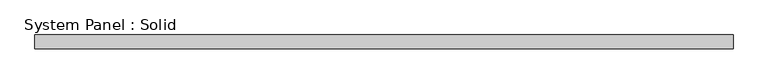
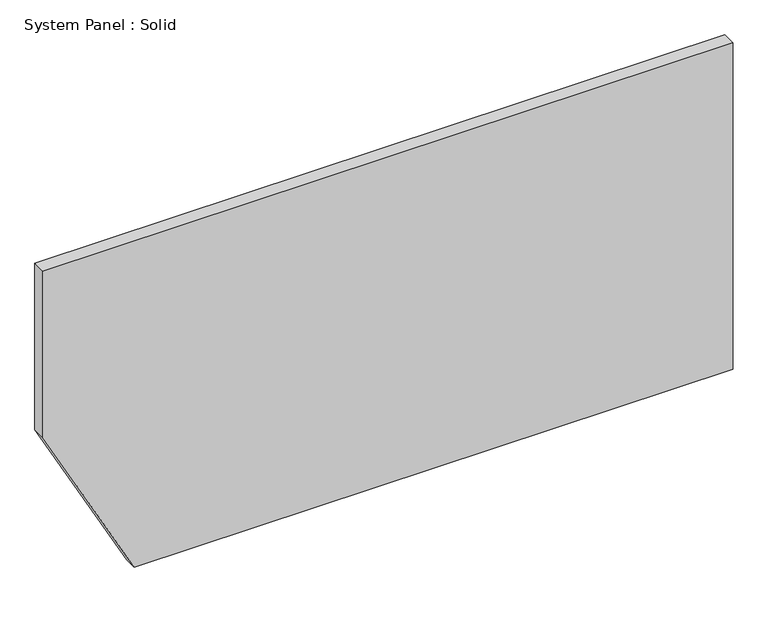
"""IFC4 building model written with IfcOpenShell, lengths in millimetres: plate geometry, System Panel : Solid."""

import ifcopenshell
import ifcopenshell.guid

model = None  # the IFC model being written
_history = None  # IfcOwnerHistory: only IFC2X3 demands one
_inside = {}  # id of a spatial element -> (the spatial element, [elements in it])
_under = {}  # id of a project, library or spatial element -> (it, [spatial elements below it])
_declared = {}  # id of a project -> (the project, [libraries it declares])
_typed = {}  # id of a type object -> (the type object, [elements of that type])
_made_of = {}  # id of a material, layer set ... -> (it, [elements and type objects made of it])


def new_model(schema):
    """Start an empty IFC model of exactly this schema.

    Asked for "IFC4X3", IfcOpenShell would pick the latest addendum, in which some entities
    have other attributes; the version numbers below select the first issue.
    IFC2X3 requires an IfcOwnerHistory on every rooted entity: one is made here for all.
    """
    global model, _history
    if schema == "IFC4X3":
        model = ifcopenshell.file(schema_version=(4, 3, 0, 0))
    else:
        model = ifcopenshell.file(schema=schema)
    _inside.clear()
    _under.clear()
    _declared.clear()
    _typed.clear()
    _made_of.clear()
    _history = None
    if model.schema == "IFC2X3":
        org = make("IfcOrganization", Name="unknown")
        user = make(
            "IfcPersonAndOrganization",
            ThePerson=make("IfcPerson", FamilyName="unknown"),
            TheOrganization=org,
        )
        app = make(
            "IfcApplication",
            ApplicationDeveloper=org,
            Version="unknown",
            ApplicationFullName="unknown",
            ApplicationIdentifier="unknown",
        )
        _history = make(
            "IfcOwnerHistory",
            OwningUser=user,
            OwningApplication=app,
            ChangeAction="ADDED",
            CreationDate=0,
        )
    return model


def make(cls, **values):
    """One entity of the class cls with the attributes given. An attribute that is None is left unset."""
    return model.create_entity(
        cls, **{name: value for name, value in values.items() if value is not None}
    )


def rooted(cls, **values):
    """An entity with a GlobalId (a new one), such as an element, a storey or a relation."""
    return make(cls, GlobalId=ifcopenshell.guid.new(), OwnerHistory=_history, **values)


def si_unit(unit_type, name, prefix=None):
    """IfcSIUnit, for example si_unit("LENGTHUNIT", "METRE", prefix="MILLI")."""
    return make("IfcSIUnit", UnitType=unit_type, Prefix=prefix, Name=name)


def assignment(units):
    """IfcUnitAssignment: the units of a project."""
    return None if units is None else make("IfcUnitAssignment", Units=units)


def point(xyz):
    """IfcCartesianPoint."""
    return None if xyz is None else make("IfcCartesianPoint", Coordinates=xyz)


def direction(xyz):
    """IfcDirection."""
    return None if xyz is None else make("IfcDirection", DirectionRatios=xyz)


def frame(location, z_axis=None, x_axis=None):
    """IfcAxis2Placement3D, a coordinate frame: its origin and axes. An axis left out is left unset."""
    return make(
        "IfcAxis2Placement3D",
        Location=point(location),
        Axis=direction(z_axis),
        RefDirection=direction(x_axis),
    )


def origin():
    """The frame at (0, 0, 0) with its axes left unset."""
    return frame((0.0, 0.0, 0.0))


def place(relative_to, where):
    """IfcLocalPlacement: puts the frame where relative to a parent placement (None: the world)."""
    return make(
        "IfcLocalPlacement", PlacementRelTo=relative_to, RelativePlacement=where
    )


def context(
    kind, dimensions, precision=None, world=None, true_north=None, identifier=None
):
    """IfcGeometricRepresentationContext, for example the 3D "Model" context."""
    return make(
        "IfcGeometricRepresentationContext",
        ContextIdentifier=identifier,
        ContextType=kind,
        CoordinateSpaceDimension=dimensions,
        Precision=precision,
        WorldCoordinateSystem=world,
        TrueNorth=true_north,
    )


def project(units=None, contexts=None):
    """IfcProject with its units and contexts."""
    return rooted(
        "IfcProject",
        Name="project",
        RepresentationContexts=contexts,
        UnitsInContext=assignment(units),
    )


def spatial(cls, under=None, at=None, **own):
    """A site, building, storey or space (cls), placed at a placement, below another one or the project."""
    s = rooted(cls, ObjectPlacement=at, **own)
    if under is not None:
        _under.setdefault(under.id(), (under, []))[1].append(s)
    return s


def polyline(points):
    """IfcPolyline through the points."""
    return make("IfcPolyline", Points=[point(p) for p in points])


def outline(outer, holes=None, kind="AREA"):
    """IfcArbitraryClosedProfileDef: a profile drawn as a closed curve; with holes, ...WithVoids."""
    if holes is None:
        return make("IfcArbitraryClosedProfileDef", ProfileType=kind, OuterCurve=outer)
    return make(
        "IfcArbitraryProfileDefWithVoids",
        ProfileType=kind,
        OuterCurve=outer,
        InnerCurves=holes,
    )


def extrude(swept, where, along, depth):
    """IfcExtrudedAreaSolid: the profile swept, set in the frame where, extruded along a direction by depth."""
    return make(
        "IfcExtrudedAreaSolid",
        SweptArea=swept,
        Position=where,
        ExtrudedDirection=direction(along),
        Depth=depth,
    )


def shape(context_of_items, identifier, shape_type, items):
    """IfcShapeRepresentation: the items that make up one representation, for example the "Body"."""
    return make(
        "IfcShapeRepresentation",
        ContextOfItems=context_of_items,
        RepresentationIdentifier=identifier,
        RepresentationType=shape_type,
        Items=items,
    )


def source(mapping_origin, context_of_items, identifier, shape_type, items):
    """IfcRepresentationMap: a shape defined once, which mapped items show again and again."""
    return make(
        "IfcRepresentationMap",
        MappingOrigin=mapping_origin,
        MappedRepresentation=shape(context_of_items, identifier, shape_type, items),
    )


def transform(
    local_origin,
    x_axis=None,
    y_axis=None,
    z_axis=None,
    scale=None,
    scale2=None,
    scale3=None,
    uniform=True,
):
    """IfcCartesianTransformationOperator3D, or its non-uniform kind. x_axis, y_axis, z_axis: its Axis1, 2, 3."""
    if uniform:
        return make(
            "IfcCartesianTransformationOperator3D",
            Axis1=direction(x_axis),
            Axis2=direction(y_axis),
            LocalOrigin=point(local_origin),
            Scale=scale,
            Axis3=direction(z_axis),
        )
    return make(
        "IfcCartesianTransformationOperator3DnonUniform",
        Axis1=direction(x_axis),
        Axis2=direction(y_axis),
        LocalOrigin=point(local_origin),
        Scale=scale,
        Axis3=direction(z_axis),
        Scale2=scale2,
        Scale3=scale3,
    )


def mapped(mapping_source, mapping_target):
    """IfcMappedItem: shows the shape of a source again, moved by a transform."""
    return make(
        "IfcMappedItem", MappingSource=mapping_source, MappingTarget=mapping_target
    )


def made_of(thing, what):
    """Note that an element or type object is made of a material, layer set ...; save() writes the relation."""
    if what is not None:
        _made_of.setdefault(what.id(), (what, []))[1].append(thing)
    return thing


def element(
    cls,
    number,
    at=None,
    inside=None,
    cuts=None,
    type_object=None,
    material=None,
    context=None,
    identifier="Body",
    shape_type=None,
    held_by="IfcProductDefinitionShape",
    body=None,
    shapes=None,
    **own,
):
    """One element of the class cls, such as IfcWall. Its Tag is "e" and its number.

    at: its placement. inside: the storey or other place that contains it. cuts: it is an
    opening in that element (IfcRelVoidsElement). A single representation is given by context,
    identifier, shape_type and body (its items); several are given by shapes. held_by: the class
    of the entity that holds the representations. save() writes the other relations.
    """
    e = rooted(cls, Tag="e%d" % number, ObjectPlacement=at, **own)
    if body is not None:
        shapes = [shape(context, identifier, shape_type, body)]
    if shapes is not None:
        e.Representation = make(held_by, Representations=shapes)
    if inside is not None:
        _inside.setdefault(inside.id(), (inside, []))[1].append(e)
    if cuts is not None:
        rooted(
            "IfcRelVoidsElement", RelatingBuildingElement=cuts, RelatedOpeningElement=e
        )
    if type_object is not None:
        _typed.setdefault(type_object.id(), (type_object, []))[1].append(e)
    return made_of(e, material)


def aggregate(whole, parts):
    """IfcRelAggregates: a whole, such as a stair, and the parts it consists of."""
    return rooted("IfcRelAggregates", RelatingObject=whole, RelatedObjects=parts)


def save(model, path):
    """Write the relations noted so far, then the file.

    IfcRelAggregates (storeys below a building ...), IfcRelContainedInSpatialStructure (elements
    in a storey), IfcRelDefinesByType, IfcRelAssociatesMaterial and IfcRelDeclares: one each for
    every whole, place, type object, material and project.
    """
    for whole, parts in _under.values():
        aggregate(whole, parts)
    for where, things in _inside.values():
        rooted(
            "IfcRelContainedInSpatialStructure",
            RelatedElements=things,
            RelatingStructure=where,
        )
    for kind, things in _typed.values():
        rooted("IfcRelDefinesByType", RelatedObjects=things, RelatingType=kind)
    for what, things in _made_of.values():
        rooted("IfcRelAssociatesMaterial", RelatedObjects=things, RelatingMaterial=what)
    for by, libraries in _declared.values():
        rooted("IfcRelDeclares", RelatingContext=by, RelatedDefinitions=libraries)
    model.write(path)


def system_panel_solid_19753cbd(model_context):
    return source(origin(), model_context, "Body", "SweptSolid", [
        extrude(outline(polyline([(0.0, -1101.7810266), (0.0, 1500.0), (1500.0, 1500.0), (1500.0, -1500.0), (736.6040451, -1500.0), (0.0, -1101.7810266)])), frame((0.0, -10.5, 0.0), z_axis=(0.0, 1.0, 0.0), x_axis=(0.0, 0.0, 1.0)), (0.0, 0.0, 1.0), 60.0),
    ])


if __name__ == "__main__":
    model = new_model("IFC4")
    model_context = context("Model", 3, world=origin())
    ifc_project = project(units=[si_unit("LENGTHUNIT", "METRE", prefix="MILLI")], contexts=[model_context])
    site = spatial("IfcSite", under=ifc_project)
    building = spatial("IfcBuilding", under=site)
    placement = place(None, origin())
    system_panel_solid_shape = system_panel_solid_19753cbd(model_context)
    element("IfcPlate", 1, ObjectType="System Panel : Solid", at=placement, inside=building, context=model_context, shape_type="MappedRepresentation", body=[
        mapped(system_panel_solid_shape, transform((0.0, 0.0, 0.0), x_axis=(1.0, 0.0, 0.0), y_axis=(0.0, 1.0, 0.0), z_axis=(0.0, 0.0, 1.0))),
    ])
    save(model, "model.ifc")
